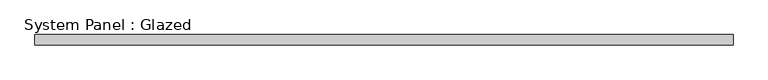
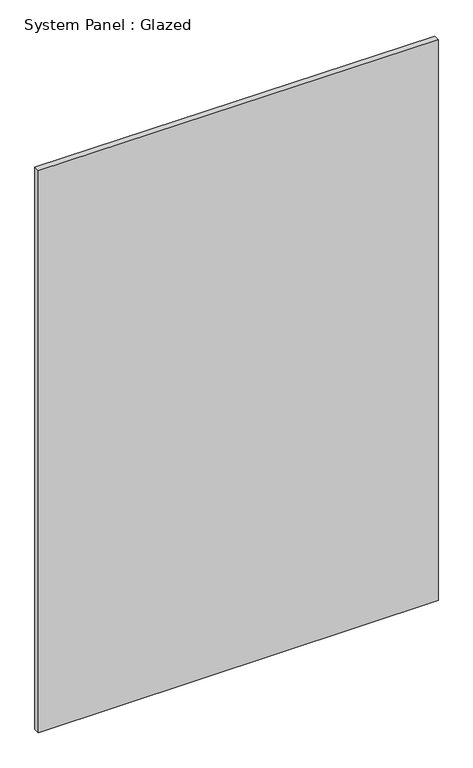
"""IFC4 building model written with IfcOpenShell, lengths in millimetres: plate geometry, System Panel : Glazed."""

from ifc_helpers import new_model, si_unit, frame, origin, place, context, project, spatial, polyline, outline, extrude, source, transform, mapped, element, save


def system_panel_glazed_77dc69b5(model_context):
    return source(origin(), model_context, "Body", "SweptSolid", [
        extrude(outline(polyline([(0.0, -850.9152691), (0.0, 850.9152691), (2524.4790808, 850.9152691), (2531.4912846, -850.9152691), (0.0, -850.9152691)])), frame((0.0, 19.05, 0.0), z_axis=(0.0, 1.0, 0.0), x_axis=(0.0, 0.0, 1.0)), (0.0, 0.0, 1.0), 25.4),
    ])


if __name__ == "__main__":
    model = new_model("IFC4")
    model_context = context("Model", 3, world=origin())
    ifc_project = project(units=[si_unit("LENGTHUNIT", "METRE", prefix="MILLI")], contexts=[model_context])
    site = spatial("IfcSite", under=ifc_project)
    building = spatial("IfcBuilding", under=site)
    placement = place(None, origin())
    system_panel_glazed_shape = system_panel_glazed_77dc69b5(model_context)
    element("IfcPlate", 1, ObjectType="System Panel : Glazed", at=placement, inside=building, context=model_context, shape_type="MappedRepresentation", body=[
        mapped(system_panel_glazed_shape, transform((0.0, 0.0, 0.0), x_axis=(1.0, 0.0, 0.0), y_axis=(0.0, 1.0, 0.0), z_axis=(0.0, 0.0, 1.0))),
    ])
    save(model, "model.ifc")
